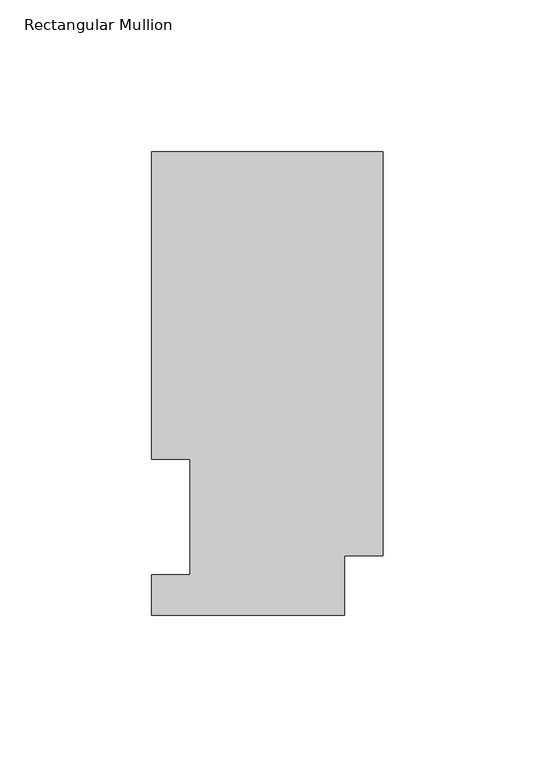
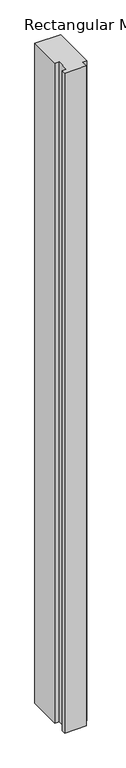
"""IFC4 building model written with IfcOpenShell, lengths in millimetres: member geometry, Rectangular Mullion."""

from ifc_helpers import new_model, si_unit, frame, origin, place, context, project, spatial, polyline, outline, extrude, source, transform, mapped, element, save


def rectangular_mullion_aa039dec(model_context):
    return source(origin(), model_context, "Body", "SweptSolid", [
        extrude(outline(polyline([(0.0, 152.4896937), (0.0, 19.5460937), (-12.7, 19.5460937), (-12.7, 0.0134938), (-76.2, 0.0134938), (-76.2, 13.1960938), (-63.5, 13.1960938), (-63.5, 51.2960937), (-76.2, 51.2960937), (-76.2, 152.4896937), (0.0, 152.4896937)])), frame((0.0, 0.0, -2057.4), z_axis=(0.0, 0.0, 1.0), x_axis=(1.0, 0.0, 0.0)), (0.0, 0.0, 1.0), 2057.4),
    ])


if __name__ == "__main__":
    model = new_model("IFC4")
    model_context = context("Model", 3, world=origin())
    ifc_project = project(units=[si_unit("LENGTHUNIT", "METRE", prefix="MILLI")], contexts=[model_context])
    site = spatial("IfcSite", under=ifc_project)
    building = spatial("IfcBuilding", under=site)
    placement = place(None, origin())
    rectangular_mullion_shape = rectangular_mullion_aa039dec(model_context)
    element("IfcMember", 1, ObjectType="Rectangular Mullion", at=placement, inside=building, context=model_context, shape_type="MappedRepresentation", body=[
        mapped(rectangular_mullion_shape, transform((0.0, 0.0, 0.0), x_axis=(1.0, 0.0, 0.0), y_axis=(0.0, 1.0, 0.0), z_axis=(0.0, 0.0, 1.0))),
    ])
    save(model, "model.ifc")
